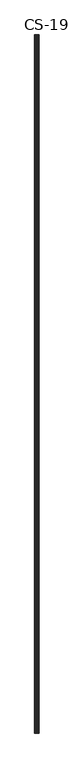
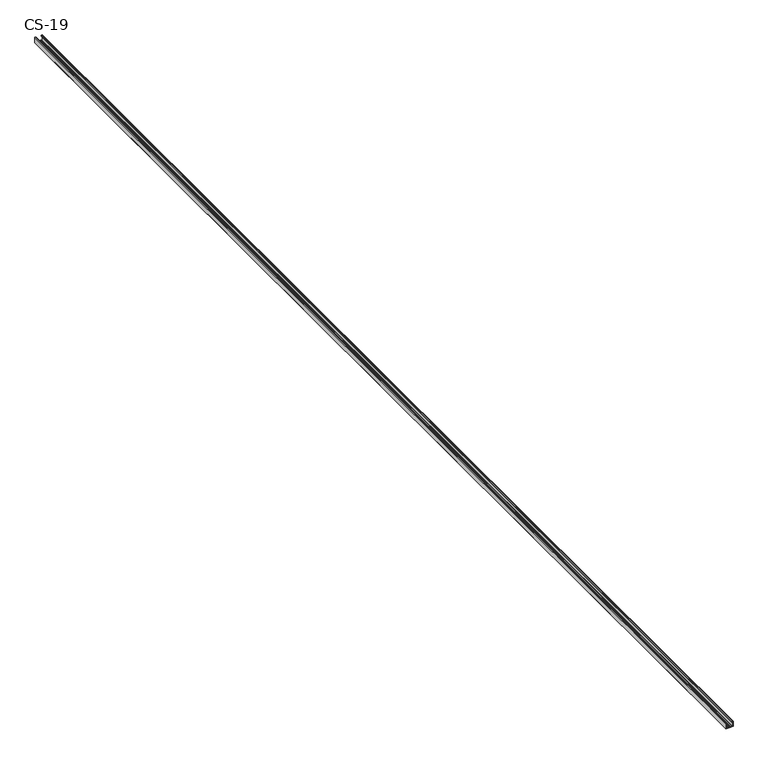
"""IFC4 building model written with IfcOpenShell, lengths in millimetres: proxy geometry, CS-19."""

from ifc_helpers import new_model, si_unit, point, frame, frame_2d, origin, place, context, project, spatial, polyline, circle_curve, trimmed, segment, composite_curve, outline, extrude, source, transform, mapped, element, save


def cs_19_65f33cad(model_context):
    return source(origin(), model_context, "Body", "SweptSolid", [
        extrude(outline(composite_curve([segment(polyline([(-19.0, -12.5), (-19.0, -7.6), (-17.7, -7.6), (-17.7, -6.8), (-18.5, -6.8), (-18.5, -4.7), (-17.7, -4.7), (-17.7, -3.9), (-18.5, -3.9), (-18.5, -1.8), (-17.7, -1.8), (-17.7, -1.0), (-18.5, -1.0), (-18.5, 1.0), (-17.7, 1.0), (-17.7, 1.8), (-18.5, 1.8), (-18.5, 3.9), (-17.7, 3.9), (-17.7, 4.7), (-18.5, 4.7), (-18.5, 6.8), (-17.7, 6.8), (-17.7, 7.6), (-19.0, 7.6), (-19.0, 12.5), (-1.0, 12.5)]), True, "CONTINUOUS"), segment(trimmed(circle_curve(frame_2d((-1.0, 11.5)), 1.0), [point((-1.0, 12.5))], [point((0.0, 11.5))], False, "CARTESIAN"), True, "CONTINUOUS"), segment(polyline([(0.0, 11.5), (0.0, 9.2778679)]), True, "CONTINUOUS"), segment(trimmed(circle_curve(frame_2d((-0.7947911, 9.3690108)), 0.8), [point((0.0, 9.2778679))], [point((-0.4479055, 8.6481292))], False, "CARTESIAN"), True, "CONTINUOUS"), segment(polyline([(-0.4479055, 8.6481292), (-2.9940841, 8.0), (-3.1346768, 8.7973409), (-0.5, 9.1466568), (-0.5, 11.5)]), True, "CONTINUOUS"), segment(trimmed(circle_curve(frame_2d((-1.0, 11.5)), 0.5), [point((-0.5, 11.5))], [point((-1.0, 12.0))], True, "CARTESIAN"), True, "CONTINUOUS"), segment(polyline([(-1.0, 12.0), (-18.5, 12.0), (-18.5, 8.0671937), (-17.2, 8.0671937), (-17.2, 6.3), (-18.0, 6.3), (-18.0, 5.2), (-17.2, 5.2), (-17.2, 3.4), (-18.0, 3.4), (-18.0, 2.3), (-17.2, 2.3), (-17.2, 0.5), (-18.0, 0.5), (-18.0, -0.5), (-17.2, -0.5), (-17.2, -2.3), (-18.0, -2.3), (-18.0, -3.4), (-17.2, -3.4), (-17.2, -5.2), (-18.0, -5.2), (-18.0, -6.3), (-17.2, -6.3), (-17.2, -8.1), (-18.5, -8.1), (-18.5, -12.0), (-1.0, -12.0)]), True, "CONTINUOUS"), segment(trimmed(circle_curve(frame_2d((-1.0, -11.5)), 0.5), [point((-1.0, -12.0))], [point((-0.5, -11.5))], True, "CARTESIAN"), True, "CONTINUOUS"), segment(polyline([(-0.5, -11.5), (-0.5, -9.1466568), (-3.1346768, -8.7973409), (-2.9940841, -8.0), (-0.4479055, -8.6481292)]), True, "CONTINUOUS"), segment(trimmed(circle_curve(frame_2d((-0.7947911, -9.3690108)), 0.8), [point((-0.4479055, -8.6481292))], [point((0.0, -9.2778679))], False, "CARTESIAN"), True, "CONTINUOUS"), segment(polyline([(0.0, -9.2778679), (0.0, -11.5)]), True, "CONTINUOUS"), segment(trimmed(circle_curve(frame_2d((-1.0, -11.5)), 1.0), [point((0.0, -11.5))], [point((-1.0, -12.5))], False, "CARTESIAN"), True, "CONTINUOUS"), segment(polyline([(-1.0, -12.5), (-19.0, -12.5)]), True, "CONTINUOUS")], self_intersect=False)), frame((0.0, 0.0, 0.0), z_axis=(0.0, 1.0, 0.0), x_axis=(0.0, 0.0, 1.0)), (0.0, 0.0, 1.0), 4000.0),
    ])


if __name__ == "__main__":
    model = new_model("IFC4")
    model_context = context("Model", 3, world=origin())
    ifc_project = project(units=[si_unit("LENGTHUNIT", "METRE", prefix="MILLI")], contexts=[model_context])
    site = spatial("IfcSite", under=ifc_project)
    building = spatial("IfcBuilding", under=site)
    placement = place(None, origin())
    cs_19_shape = cs_19_65f33cad(model_context)
    element("IfcBuildingElementProxy", 1, Name="CS-19", ObjectType="CS-19", at=placement, inside=building, context=model_context, shape_type="MappedRepresentation", body=[
        mapped(cs_19_shape, transform((0.0, 0.0, 0.0), x_axis=(1.0, 0.0, 0.0), y_axis=(0.0, 1.0, 0.0), z_axis=(0.0, 0.0, 1.0))),
    ])
    save(model, "model.ifc")
